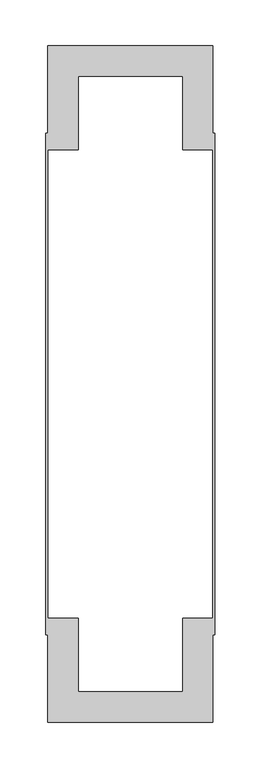
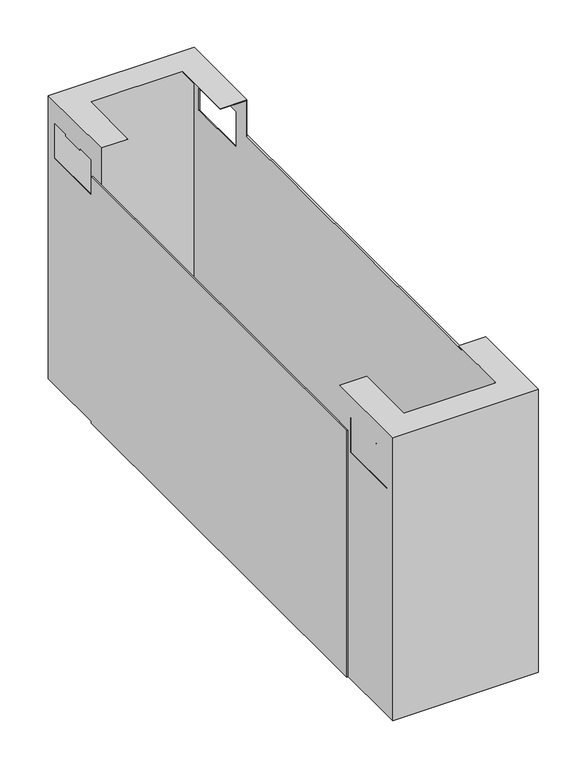
"""IFC4 building model written with IfcOpenShell, lengths in millimetres: furniture geometry."""

from ifc_helpers import new_model, si_unit, origin, place, context, project, spatial, triangles, source, transform, mapped, element, save


def furniture_0a594cf2(model_context):
    return source(origin(), model_context, "Body", "Tessellation", [
        triangles([(1433.9151426, 8382.8883005, 442.1000133), (1612.1151666, 8382.8883005, 442.1000133), (1433.9151426, 8382.8883005, 73.0), (1612.1151666, 8382.8883005, 73.0), (1613.0151117, 8381.9883554, 442.9999947), (1580.0150911, 8414.9880853, 442.9999947), (1433.0151975, 8381.9883554, 442.9999947), (1466.0150728, 8414.9880853, 442.9999947), (1433.0151975, 8494.9884347, 442.9999947), (1466.0150728, 8494.9884347, 442.9999947), (1613.0151117, 8494.9884347, 442.9999947), (1580.0150911, 8494.9884347, 442.9999947), (1613.0151117, 8381.9883554, 73.0), (1433.0151975, 8381.9883554, 73.0), (1612.1151666, 8473.388009, 368.3000121), (1612.1151666, 8393.9882043, 368.3000121), (1612.1151666, 8393.9882043, 414.7000142), (1612.1151666, 8418.6884408, 414.7000142), (1612.1151666, 8448.6883539, 414.7000142), (1612.1151666, 8418.6884408, 412.1999851), (1612.1151666, 8448.6883539, 412.1999851), (1612.1151666, 8473.388009, 414.7000142), (1612.1151666, 8494.9884347, 442.1000133), (1612.1151666, 8494.9884347, 73.0), (1433.0151975, 8473.388009, 414.7000142), (1433.0151975, 8473.388009, 368.3000121), (1433.0151975, 8494.9884347, 73.0), (1433.0151975, 8448.6883539, 414.7000142), (1433.0151975, 8418.6884408, 414.7000142), (1433.0151975, 8393.9882043, 414.7000142), (1433.0151975, 8448.6883539, 412.1999851), (1433.0151975, 8418.6884408, 412.1999851), (1433.0151975, 8393.9882043, 368.3000121), (1580.0150911, 8414.9880853, 442.1000133), (1466.0150728, 8414.9880853, 442.1000133), (1433.9151426, 8494.9884347, 442.1000133), (1466.0150728, 8494.9884347, 442.1000133), (1580.0150911, 8494.9884347, 442.1000133), (1613.0151117, 8393.9882043, 368.3000121), (1613.0151117, 8393.9882043, 414.7000142), (1613.0151117, 8418.6884408, 414.7000142), (1613.0151117, 8473.388009, 368.3000121), (1613.0151117, 8494.9884347, 73.0), (1613.0151117, 8448.6883539, 414.7000142), (1613.0151117, 8473.388009, 414.7000142), (1613.0151117, 8418.6884408, 412.1999851), (1613.0151117, 8448.6883539, 412.1999851), (1433.9151426, 8393.9882043, 368.3000121), (1433.9151426, 8393.9882043, 414.7000142), (1433.9151426, 8418.6884408, 414.7000142), (1433.9151426, 8473.388009, 368.3000121), (1433.9151426, 8494.9884347, 73.0), (1433.9151426, 8448.6883539, 414.7000142), (1433.9151426, 8473.388009, 414.7000142), (1433.9151426, 8418.6884408, 412.1999851), (1433.9151426, 8448.6883539, 412.1999851), (1430.9151804, 8477.0383676, 73.0), (1433.0151975, 8477.0383676, 73.0), (1430.9151804, 8477.0383676, 395.0000175), (1433.0151975, 8477.0383676, 395.0000175), (1430.9151804, 9023.938125, 73.0), (1430.9151804, 9023.938125, 395.0000175), (1433.0151975, 9023.938125, 73.0), (1433.0151975, 9023.938125, 395.0000175), (1613.0151117, 8477.0383676, 73.0), (1615.1151289, 8477.0383676, 73.0), (1613.0151117, 8477.0383676, 395.0000175), (1615.1151289, 8477.0383676, 395.0000175), (1613.0151117, 9023.938125, 73.0), (1613.0151117, 9023.938125, 395.0000175), (1615.1151289, 9023.938125, 73.0), (1615.1151289, 9023.938125, 395.0000175), (1612.1151666, 9118.0881921, 442.1000133), (1433.9151426, 9118.0881921, 442.1000133), (1612.1151666, 9118.0881921, 73.0), (1433.9151426, 9118.0881921, 73.0), (1613.0151117, 9005.9880578, 442.9999947), (1613.0151117, 9118.9881372, 442.9999947), (1580.0150911, 9085.9884073, 442.9999947), (1433.0151975, 9118.9881372, 442.9999947), (1466.0150728, 9085.9884073, 442.9999947), (1433.0151975, 9005.9880578, 442.9999947), (1466.0150728, 9005.9880578, 442.9999947), (1580.0150911, 9005.9880578, 442.9999947), (1433.0151975, 9118.9881372, 73.0), (1613.0151117, 9118.9881372, 73.0), (1612.1151666, 9106.9882883, 368.3000121), (1612.1151666, 9027.5879022, 368.3000121), (1612.1151666, 9005.9880578, 73.0), (1612.1151666, 9005.9880578, 442.1000133), (1612.1151666, 9106.9882883, 414.7000142), (1612.1151666, 9082.2880517, 414.7000142), (1612.1151666, 9082.2880517, 412.1999851), (1612.1151666, 9052.2881387, 412.1999851), (1612.1151666, 9052.2881387, 414.7000142), (1612.1151666, 9027.5879022, 414.7000142), (1433.0151975, 9052.2881387, 414.7000142), (1433.0151975, 9027.5879022, 414.7000142), (1433.0151975, 9027.5879022, 368.3000121), (1433.0151975, 9005.9880578, 73.0), (1433.0151975, 9106.9882883, 368.3000121), (1433.0151975, 9106.9882883, 414.7000142), (1433.0151975, 9082.2880517, 414.7000142), (1433.0151975, 9082.2880517, 412.1999851), (1433.0151975, 9052.2881387, 412.1999851), (1580.0150911, 9085.9884073, 442.1000133), (1466.0150728, 9085.9884073, 442.1000133), (1433.9151426, 9005.9880578, 442.1000133), (1466.0150728, 9005.9880578, 442.1000133), (1580.0150911, 9005.9880578, 442.1000133), (1613.0151117, 9106.9882883, 368.3000121), (1613.0151117, 9027.5879022, 368.3000121), (1613.0151117, 9005.9880578, 73.0), (1613.0151117, 9027.5879022, 414.7000142), (1613.0151117, 9052.2881387, 414.7000142), (1613.0151117, 9082.2880517, 414.7000142), (1613.0151117, 9106.9882883, 414.7000142), (1613.0151117, 9052.2881387, 412.1999851), (1613.0151117, 9082.2880517, 412.1999851), (1433.9151426, 9106.9882883, 368.3000121), (1433.9151426, 9027.5879022, 368.3000121), (1433.9151426, 9005.9880578, 73.0), (1433.9151426, 9027.5879022, 414.7000142), (1433.9151426, 9052.2881387, 414.7000142), (1433.9151426, 9082.2880517, 414.7000142), (1433.9151426, 9106.9882883, 414.7000142), (1433.9151426, 9052.2881387, 412.1999851), (1433.9151426, 9082.2880517, 412.1999851)], [[1, 2, 3], [3, 2, 4], [5, 6, 7], [7, 6, 8], [7, 8, 9], [9, 8, 10], [5, 11, 6], [6, 11, 12], [5, 7, 13], [13, 7, 14], [15, 4, 16], [2, 16, 4], [16, 2, 17], [18, 17, 2], [19, 18, 2], [18, 19, 20], [20, 19, 21], [15, 22, 23], [24, 15, 23], [15, 24, 4], [23, 22, 19], [23, 19, 2], [26, 25, 9], [27, 26, 9], [26, 27, 14], [9, 25, 28], [9, 28, 7], [7, 28, 29], [7, 29, 30], [31, 32, 28], [28, 32, 29], [7, 30, 33], [7, 33, 14], [14, 33, 26], [23, 2, 34], [1, 34, 2], [34, 1, 35], [36, 35, 1], [35, 36, 37], [34, 38, 23], [34, 35, 6], [6, 35, 8], [6, 12, 34], [34, 12, 38], [13, 39, 5], [5, 39, 40], [5, 40, 41], [42, 39, 13], [42, 13, 43], [11, 42, 43], [5, 44, 11], [11, 44, 45], [11, 45, 42], [46, 47, 41], [41, 47, 44], [5, 41, 44], [35, 37, 8], [8, 37, 10], [3, 48, 1], [1, 48, 49], [1, 49, 50], [51, 48, 3], [51, 3, 52], [36, 51, 52], [1, 53, 36], [36, 53, 54], [36, 54, 51], [55, 56, 50], [50, 56, 53], [1, 50, 53], [25, 26, 54], [54, 26, 51], [26, 33, 51], [51, 33, 48], [33, 30, 48], [48, 30, 49], [55, 50, 32], [32, 50, 29], [32, 31, 55], [55, 31, 56], [30, 29, 49], [49, 29, 50], [28, 25, 53], [53, 25, 54], [31, 28, 56], [56, 28, 53], [39, 42, 16], [16, 42, 15], [42, 45, 15], [15, 45, 22], [40, 39, 17], [17, 39, 16], [20, 21, 46], [46, 21, 47], [46, 41, 20], [20, 41, 18], [41, 40, 18], [18, 40, 17], [21, 19, 47], [47, 19, 44], [45, 44, 22], [22, 44, 19], [38, 12, 23], [11, 23, 12], [43, 23, 11], [43, 24, 23], [24, 43, 4], [13, 4, 43], [14, 4, 13], [4, 14, 3], [27, 3, 14], [3, 27, 52], [52, 27, 36], [9, 36, 27], [10, 36, 9], [10, 37, 36], [57, 58, 59], [59, 58, 60], [61, 57, 62], [62, 57, 59], [63, 61, 64], [64, 61, 62], [58, 63, 60], [60, 63, 64], [64, 62, 60], [60, 62, 59], [58, 57, 63], [63, 57, 61], [65, 66, 67], [67, 66, 68], [69, 65, 70], [70, 65, 67], [71, 69, 72], [72, 69, 70], [66, 71, 68], [68, 71, 72], [72, 70, 68], [68, 70, 67], [66, 65, 71], [71, 65, 69], [73, 74, 75], [75, 74, 76], [77, 78, 79], [80, 79, 78], [79, 80, 81], [82, 81, 80], [81, 82, 83], [79, 84, 77], [80, 78, 85], [85, 78, 86], [88, 87, 75], [88, 75, 89], [90, 88, 89], [75, 87, 73], [73, 87, 91], [73, 91, 92], [93, 94, 92], [92, 94, 95], [73, 92, 95], [73, 95, 90], [90, 95, 96], [90, 96, 88], [97, 98, 82], [82, 98, 99], [82, 99, 100], [100, 99, 85], [85, 99, 101], [85, 101, 80], [80, 101, 102], [80, 102, 103], [104, 105, 103], [103, 105, 97], [80, 103, 97], [80, 97, 82], [73, 106, 74], [74, 106, 107], [74, 107, 108], [108, 107, 109], [73, 90, 106], [106, 90, 110], [79, 81, 106], [106, 81, 107], [106, 110, 79], [79, 110, 84], [78, 111, 86], [86, 111, 112], [86, 112, 113], [113, 112, 77], [77, 112, 114], [77, 114, 115], [77, 115, 78], [78, 115, 116], [78, 116, 117], [118, 119, 115], [115, 119, 116], [78, 117, 111], [109, 107, 83], [83, 107, 81], [74, 120, 76], [76, 120, 121], [76, 121, 122], [122, 121, 108], [108, 121, 123], [108, 123, 124], [108, 124, 74], [74, 124, 125], [74, 125, 126], [127, 128, 124], [124, 128, 125], [74, 126, 120], [99, 98, 121], [121, 98, 123], [101, 99, 120], [120, 99, 121], [102, 101, 126], [126, 101, 120], [125, 128, 103], [103, 128, 104], [128, 127, 104], [104, 127, 105], [103, 102, 125], [125, 102, 126], [98, 97, 123], [123, 97, 124], [97, 105, 124], [124, 105, 127], [112, 111, 88], [88, 111, 87], [114, 112, 96], [96, 112, 88], [111, 117, 87], [87, 117, 91], [94, 93, 118], [118, 93, 119], [93, 92, 119], [119, 92, 116], [117, 116, 91], [91, 116, 92], [95, 94, 115], [115, 94, 118], [115, 114, 95], [95, 114, 96], [113, 77, 90], [84, 90, 77], [90, 84, 110], [90, 89, 113], [85, 86, 75], [113, 75, 86], [75, 113, 89], [75, 76, 85], [85, 76, 100], [100, 76, 122], [83, 82, 108], [100, 108, 82], [108, 100, 122], [108, 109, 83]]),
    ])


if __name__ == "__main__":
    model = new_model("IFC4")
    model_context = context("Model", 3, world=origin())
    ifc_project = project(units=[si_unit("LENGTHUNIT", "METRE", prefix="MILLI")], contexts=[model_context])
    site = spatial("IfcSite", under=ifc_project)
    building = spatial("IfcBuilding", under=site)
    placement = place(None, origin())
    furniture_shape = furniture_0a594cf2(model_context)
    element("IfcFurniture", 1, at=placement, inside=building, context=model_context, shape_type="MappedRepresentation", body=[
        mapped(furniture_shape, transform((0.0, 0.0, 0.0), x_axis=(1.0, 0.0, 0.0), y_axis=(0.0, 1.0, 0.0), z_axis=(0.0, 0.0, 1.0))),
    ])
    save(model, "model.ifc")
